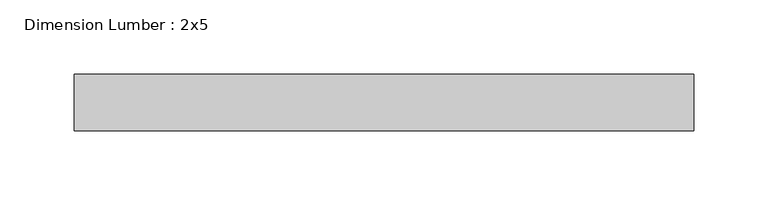
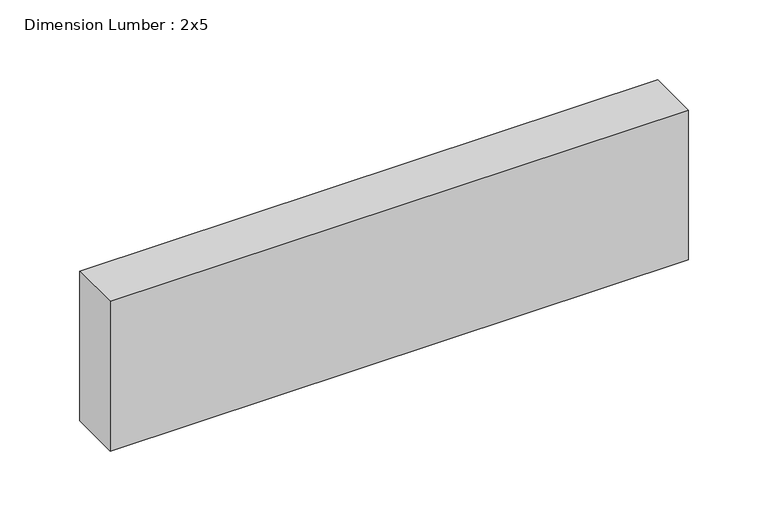
"""IFC4 building model written with IfcOpenShell, lengths in millimetres: beam geometry, Dimension Lumber : 2x5."""

import ifcopenshell
import ifcopenshell.guid

model = None  # the IFC model being written
_history = None  # IfcOwnerHistory: only IFC2X3 demands one
_inside = {}  # id of a spatial element -> (the spatial element, [elements in it])
_under = {}  # id of a project, library or spatial element -> (it, [spatial elements below it])
_declared = {}  # id of a project -> (the project, [libraries it declares])
_typed = {}  # id of a type object -> (the type object, [elements of that type])
_made_of = {}  # id of a material, layer set ... -> (it, [elements and type objects made of it])


def new_model(schema):
    """Start an empty IFC model of exactly this schema.

    Asked for "IFC4X3", IfcOpenShell would pick the latest addendum, in which some entities
    have other attributes; the version numbers below select the first issue.
    IFC2X3 requires an IfcOwnerHistory on every rooted entity: one is made here for all.
    """
    global model, _history
    if schema == "IFC4X3":
        model = ifcopenshell.file(schema_version=(4, 3, 0, 0))
    else:
        model = ifcopenshell.file(schema=schema)
    _inside.clear()
    _under.clear()
    _declared.clear()
    _typed.clear()
    _made_of.clear()
    _history = None
    if model.schema == "IFC2X3":
        org = make("IfcOrganization", Name="unknown")
        user = make(
            "IfcPersonAndOrganization",
            ThePerson=make("IfcPerson", FamilyName="unknown"),
            TheOrganization=org,
        )
        app = make(
            "IfcApplication",
            ApplicationDeveloper=org,
            Version="unknown",
            ApplicationFullName="unknown",
            ApplicationIdentifier="unknown",
        )
        _history = make(
            "IfcOwnerHistory",
            OwningUser=user,
            OwningApplication=app,
            ChangeAction="ADDED",
            CreationDate=0,
        )
    return model


def make(cls, **values):
    """One entity of the class cls with the attributes given. An attribute that is None is left unset."""
    return model.create_entity(
        cls, **{name: value for name, value in values.items() if value is not None}
    )


def rooted(cls, **values):
    """An entity with a GlobalId (a new one), such as an element, a storey or a relation."""
    return make(cls, GlobalId=ifcopenshell.guid.new(), OwnerHistory=_history, **values)


def si_unit(unit_type, name, prefix=None):
    """IfcSIUnit, for example si_unit("LENGTHUNIT", "METRE", prefix="MILLI")."""
    return make("IfcSIUnit", UnitType=unit_type, Prefix=prefix, Name=name)


def assignment(units):
    """IfcUnitAssignment: the units of a project."""
    return None if units is None else make("IfcUnitAssignment", Units=units)


def point(xyz):
    """IfcCartesianPoint."""
    return None if xyz is None else make("IfcCartesianPoint", Coordinates=xyz)


def direction(xyz):
    """IfcDirection."""
    return None if xyz is None else make("IfcDirection", DirectionRatios=xyz)


def frame(location, z_axis=None, x_axis=None):
    """IfcAxis2Placement3D, a coordinate frame: its origin and axes. An axis left out is left unset."""
    return make(
        "IfcAxis2Placement3D",
        Location=point(location),
        Axis=direction(z_axis),
        RefDirection=direction(x_axis),
    )


def origin():
    """The frame at (0, 0, 0) with its axes left unset."""
    return frame((0.0, 0.0, 0.0))


def place(relative_to, where):
    """IfcLocalPlacement: puts the frame where relative to a parent placement (None: the world)."""
    return make(
        "IfcLocalPlacement", PlacementRelTo=relative_to, RelativePlacement=where
    )


def context(
    kind, dimensions, precision=None, world=None, true_north=None, identifier=None
):
    """IfcGeometricRepresentationContext, for example the 3D "Model" context."""
    return make(
        "IfcGeometricRepresentationContext",
        ContextIdentifier=identifier,
        ContextType=kind,
        CoordinateSpaceDimension=dimensions,
        Precision=precision,
        WorldCoordinateSystem=world,
        TrueNorth=true_north,
    )


def project(units=None, contexts=None):
    """IfcProject with its units and contexts."""
    return rooted(
        "IfcProject",
        Name="project",
        RepresentationContexts=contexts,
        UnitsInContext=assignment(units),
    )


def spatial(cls, under=None, at=None, **own):
    """A site, building, storey or space (cls), placed at a placement, below another one or the project."""
    s = rooted(cls, ObjectPlacement=at, **own)
    if under is not None:
        _under.setdefault(under.id(), (under, []))[1].append(s)
    return s


def polyline(points):
    """IfcPolyline through the points."""
    return make("IfcPolyline", Points=[point(p) for p in points])


def outline(outer, holes=None, kind="AREA"):
    """IfcArbitraryClosedProfileDef: a profile drawn as a closed curve; with holes, ...WithVoids."""
    if holes is None:
        return make("IfcArbitraryClosedProfileDef", ProfileType=kind, OuterCurve=outer)
    return make(
        "IfcArbitraryProfileDefWithVoids",
        ProfileType=kind,
        OuterCurve=outer,
        InnerCurves=holes,
    )


def extrude(swept, where, along, depth):
    """IfcExtrudedAreaSolid: the profile swept, set in the frame where, extruded along a direction by depth."""
    return make(
        "IfcExtrudedAreaSolid",
        SweptArea=swept,
        Position=where,
        ExtrudedDirection=direction(along),
        Depth=depth,
    )


def shape(context_of_items, identifier, shape_type, items):
    """IfcShapeRepresentation: the items that make up one representation, for example the "Body"."""
    return make(
        "IfcShapeRepresentation",
        ContextOfItems=context_of_items,
        RepresentationIdentifier=identifier,
        RepresentationType=shape_type,
        Items=items,
    )


def source(mapping_origin, context_of_items, identifier, shape_type, items):
    """IfcRepresentationMap: a shape defined once, which mapped items show again and again."""
    return make(
        "IfcRepresentationMap",
        MappingOrigin=mapping_origin,
        MappedRepresentation=shape(context_of_items, identifier, shape_type, items),
    )


def transform(
    local_origin,
    x_axis=None,
    y_axis=None,
    z_axis=None,
    scale=None,
    scale2=None,
    scale3=None,
    uniform=True,
):
    """IfcCartesianTransformationOperator3D, or its non-uniform kind. x_axis, y_axis, z_axis: its Axis1, 2, 3."""
    if uniform:
        return make(
            "IfcCartesianTransformationOperator3D",
            Axis1=direction(x_axis),
            Axis2=direction(y_axis),
            LocalOrigin=point(local_origin),
            Scale=scale,
            Axis3=direction(z_axis),
        )
    return make(
        "IfcCartesianTransformationOperator3DnonUniform",
        Axis1=direction(x_axis),
        Axis2=direction(y_axis),
        LocalOrigin=point(local_origin),
        Scale=scale,
        Axis3=direction(z_axis),
        Scale2=scale2,
        Scale3=scale3,
    )


def mapped(mapping_source, mapping_target):
    """IfcMappedItem: shows the shape of a source again, moved by a transform."""
    return make(
        "IfcMappedItem", MappingSource=mapping_source, MappingTarget=mapping_target
    )


def made_of(thing, what):
    """Note that an element or type object is made of a material, layer set ...; save() writes the relation."""
    if what is not None:
        _made_of.setdefault(what.id(), (what, []))[1].append(thing)
    return thing


def element(
    cls,
    number,
    at=None,
    inside=None,
    cuts=None,
    type_object=None,
    material=None,
    context=None,
    identifier="Body",
    shape_type=None,
    held_by="IfcProductDefinitionShape",
    body=None,
    shapes=None,
    **own,
):
    """One element of the class cls, such as IfcWall. Its Tag is "e" and its number.

    at: its placement. inside: the storey or other place that contains it. cuts: it is an
    opening in that element (IfcRelVoidsElement). A single representation is given by context,
    identifier, shape_type and body (its items); several are given by shapes. held_by: the class
    of the entity that holds the representations. save() writes the other relations.
    """
    e = rooted(cls, Tag="e%d" % number, ObjectPlacement=at, **own)
    if body is not None:
        shapes = [shape(context, identifier, shape_type, body)]
    if shapes is not None:
        e.Representation = make(held_by, Representations=shapes)
    if inside is not None:
        _inside.setdefault(inside.id(), (inside, []))[1].append(e)
    if cuts is not None:
        rooted(
            "IfcRelVoidsElement", RelatingBuildingElement=cuts, RelatedOpeningElement=e
        )
    if type_object is not None:
        _typed.setdefault(type_object.id(), (type_object, []))[1].append(e)
    return made_of(e, material)


def aggregate(whole, parts):
    """IfcRelAggregates: a whole, such as a stair, and the parts it consists of."""
    return rooted("IfcRelAggregates", RelatingObject=whole, RelatedObjects=parts)


def save(model, path):
    """Write the relations noted so far, then the file.

    IfcRelAggregates (storeys below a building ...), IfcRelContainedInSpatialStructure (elements
    in a storey), IfcRelDefinesByType, IfcRelAssociatesMaterial and IfcRelDeclares: one each for
    every whole, place, type object, material and project.
    """
    for whole, parts in _under.values():
        aggregate(whole, parts)
    for where, things in _inside.values():
        rooted(
            "IfcRelContainedInSpatialStructure",
            RelatedElements=things,
            RelatingStructure=where,
        )
    for kind, things in _typed.values():
        rooted("IfcRelDefinesByType", RelatedObjects=things, RelatingType=kind)
    for what, things in _made_of.values():
        rooted("IfcRelAssociatesMaterial", RelatedObjects=things, RelatingMaterial=what)
    for by, libraries in _declared.values():
        rooted("IfcRelDeclares", RelatingContext=by, RelatedDefinitions=libraries)
    model.write(path)


def dimension_lumber_2x5_38f1654c(model_context):
    return source(origin(), model_context, "Body", "SweptSolid", [
        extrude(outline(polyline([(208.828439, 19.05), (208.828439, -19.05), (-208.828439, -19.05), (-208.828439, 19.05), (208.828439, 19.05)])), frame((0.0, 0.0, -57.15), z_axis=(0.0, 0.0, 1.0), x_axis=(1.0, 0.0, 0.0)), (0.0, 0.0, 1.0), 114.3),
    ])


if __name__ == "__main__":
    model = new_model("IFC4")
    model_context = context("Model", 3, world=origin())
    ifc_project = project(units=[si_unit("LENGTHUNIT", "METRE", prefix="MILLI")], contexts=[model_context])
    site = spatial("IfcSite", under=ifc_project)
    building = spatial("IfcBuilding", under=site)
    placement = place(None, origin())
    dimension_lumber_2x5_shape = dimension_lumber_2x5_38f1654c(model_context)
    element("IfcBeam", 1, ObjectType="Dimension Lumber : 2x5", at=placement, inside=building, context=model_context, shape_type="MappedRepresentation", body=[
        mapped(dimension_lumber_2x5_shape, transform((0.0, 0.0, 0.0), x_axis=(1.0, 0.0, 0.0), y_axis=(0.0, 1.0, 0.0), z_axis=(0.0, 0.0, 1.0))),
    ])
    save(model, "model.ifc")
